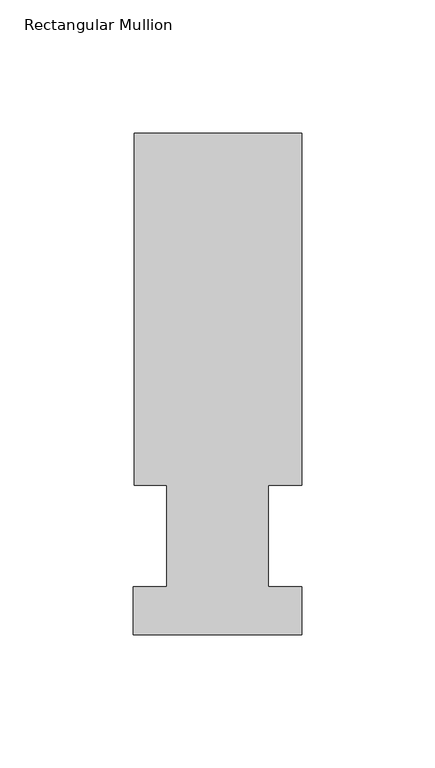
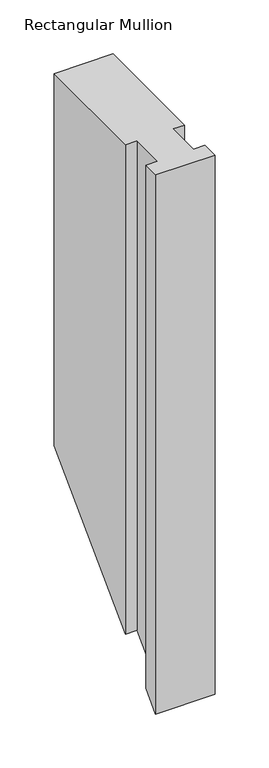
"""IFC4 building model written with IfcOpenShell, lengths in millimetres: member geometry, Rectangular Mullion."""

from ifc_helpers import new_model, si_unit, origin, place, context, project, spatial, faceted_brep, source, transform, mapped, element, save


def rectangular_mullion_1b38b4e4(model_context):
    return source(origin(), model_context, "Body", "Brep", [
        faceted_brep([(-63.0936, 189.0895062, 0.0), (-63.0936, 56.6539062, 0.0), (-50.8, 56.6539062, 0.0), (-50.8, 18.5539063, 0.0), (-63.5, 18.5539063, 0.0), (-63.5, 0.5199062, 0.0), (0.0, 0.5199062, 0.0), (0.0, 18.5539062, 0.0), (-12.6746, 18.5539063, 0.0), (-12.6746, 56.6539062, 0.0), (0.0, 56.6539062, 0.0), (0.0, 189.0895062, 0.0), (-63.0936, 189.0895062, -421.0065875), (-63.0936, 56.6539062, -553.4421875), (-50.8, 56.6539062, -553.4421875), (-50.8, 18.5539063, -591.5421875), (-63.5, 18.5539063, -591.5421875), (-63.5, 0.5199062, -609.5761875), (0.0, 0.5199062, -609.5761875), (0.0, 18.5539062, -591.5421875), (-12.6746, 18.5539062, -591.5421875), (-12.6746, 56.6539062, -553.4421875), (0.0, 56.6539062, -553.4421875), (0.0, 189.0895062, -421.0065875)], [[[0, 1, 2, 3, 4, 5, 6, 7, 8, 9, 10, 11]], [[1, 0, 12, 13]], [[2, 1, 13, 14]], [[3, 2, 14, 15]], [[4, 3, 15, 16]], [[5, 4, 16, 17]], [[6, 5, 17, 18]], [[7, 6, 18, 19]], [[8, 7, 19, 20]], [[9, 8, 20, 21]], [[10, 9, 21, 22]], [[11, 10, 22, 23]], [[0, 11, 23, 12]], [[12, 23, 22, 21, 20, 19, 18, 17, 16, 15, 14, 13]]]),
    ])


if __name__ == "__main__":
    model = new_model("IFC4")
    model_context = context("Model", 3, world=origin())
    ifc_project = project(units=[si_unit("LENGTHUNIT", "METRE", prefix="MILLI")], contexts=[model_context])
    site = spatial("IfcSite", under=ifc_project)
    building = spatial("IfcBuilding", under=site)
    placement = place(None, origin())
    rectangular_mullion_shape = rectangular_mullion_1b38b4e4(model_context)
    element("IfcMember", 1, ObjectType="Rectangular Mullion", at=placement, inside=building, context=model_context, shape_type="MappedRepresentation", body=[
        mapped(rectangular_mullion_shape, transform((0.0, 0.0, 0.0), x_axis=(1.0, 0.0, 0.0), y_axis=(0.0, 1.0, 0.0), z_axis=(0.0, 0.0, 1.0))),
    ])
    save(model, "model.ifc")
